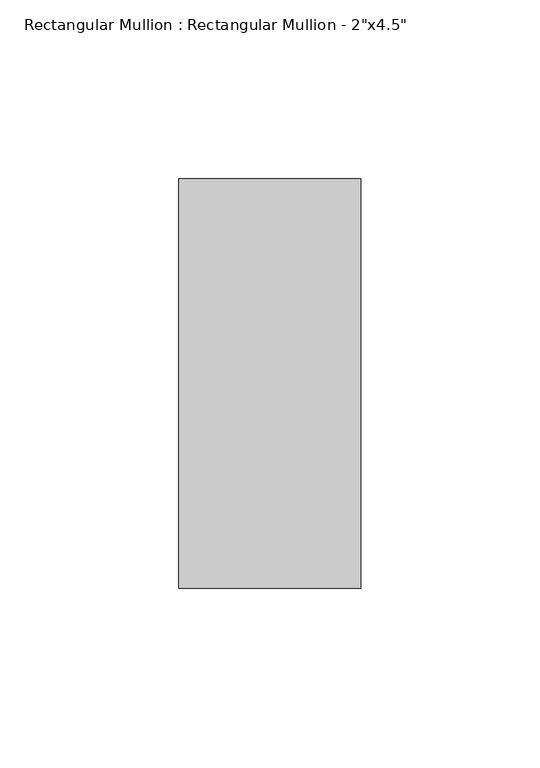
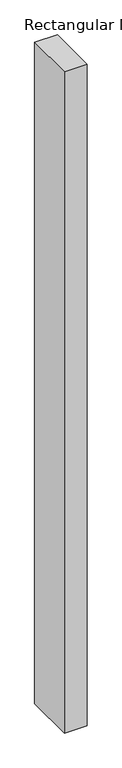
"""IFC4 building model written with IfcOpenShell, lengths in millimetres: member geometry."""

from ifc_helpers import new_model, si_unit, frame, origin, place, context, project, spatial, polyline, outline, extrude, source, transform, mapped, element, save


def member_079fe36a(model_context):
    return source(origin(), model_context, "Body", "SweptSolid", [
        extrude(outline(polyline([(0.0, 57.15), (0.0, -57.15), (-50.8, -57.15), (-50.8, 57.15), (0.0, 57.15)])), frame((0.0, 0.0, -1558.925), z_axis=(0.0, 0.0, 1.0), x_axis=(1.0, 0.0, 0.0)), (0.0, 0.0, 1.0), 1558.925),
    ])


if __name__ == "__main__":
    model = new_model("IFC4")
    model_context = context("Model", 3, world=origin())
    ifc_project = project(units=[si_unit("LENGTHUNIT", "METRE", prefix="MILLI")], contexts=[model_context])
    site = spatial("IfcSite", under=ifc_project)
    building = spatial("IfcBuilding", under=site)
    placement = place(None, origin())
    member_shape = member_079fe36a(model_context)
    element("IfcMember", 1, ObjectType="Rectangular Mullion : Rectangular Mullion - 2\"x4.5\"", at=placement, inside=building, context=model_context, shape_type="MappedRepresentation", body=[
        mapped(member_shape, transform((0.0, 0.0, 0.0), x_axis=(1.0, 0.0, 0.0), y_axis=(0.0, 1.0, 0.0), z_axis=(0.0, 0.0, 1.0))),
    ])
    save(model, "model.ifc")
